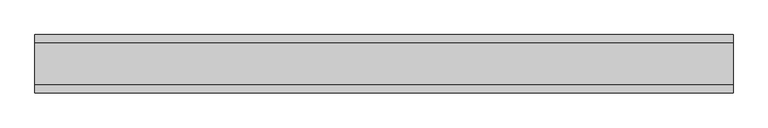
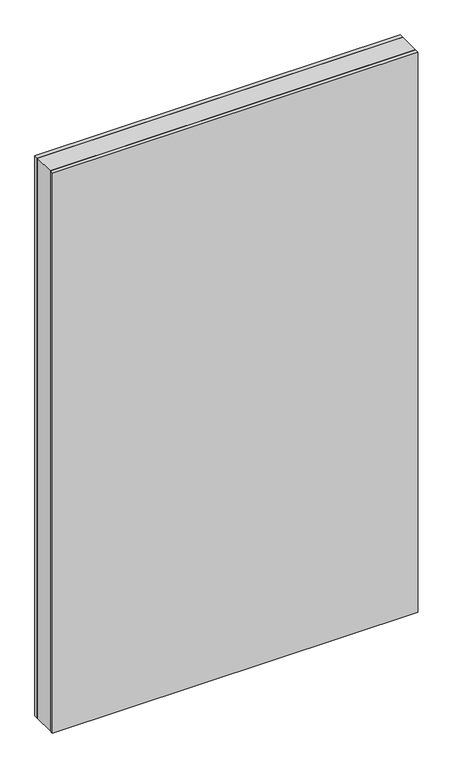
"""IFC4 building model written with IfcOpenShell, lengths in millimetres: plate geometry."""

import ifcopenshell
import ifcopenshell.guid

model = None  # the IFC model being written
_history = None  # IfcOwnerHistory: only IFC2X3 demands one
_inside = {}  # id of a spatial element -> (the spatial element, [elements in it])
_under = {}  # id of a project, library or spatial element -> (it, [spatial elements below it])
_declared = {}  # id of a project -> (the project, [libraries it declares])
_typed = {}  # id of a type object -> (the type object, [elements of that type])
_made_of = {}  # id of a material, layer set ... -> (it, [elements and type objects made of it])


def new_model(schema):
    """Start an empty IFC model of exactly this schema.

    Asked for "IFC4X3", IfcOpenShell would pick the latest addendum, in which some entities
    have other attributes; the version numbers below select the first issue.
    IFC2X3 requires an IfcOwnerHistory on every rooted entity: one is made here for all.
    """
    global model, _history
    if schema == "IFC4X3":
        model = ifcopenshell.file(schema_version=(4, 3, 0, 0))
    else:
        model = ifcopenshell.file(schema=schema)
    _inside.clear()
    _under.clear()
    _declared.clear()
    _typed.clear()
    _made_of.clear()
    _history = None
    if model.schema == "IFC2X3":
        org = make("IfcOrganization", Name="unknown")
        user = make(
            "IfcPersonAndOrganization",
            ThePerson=make("IfcPerson", FamilyName="unknown"),
            TheOrganization=org,
        )
        app = make(
            "IfcApplication",
            ApplicationDeveloper=org,
            Version="unknown",
            ApplicationFullName="unknown",
            ApplicationIdentifier="unknown",
        )
        _history = make(
            "IfcOwnerHistory",
            OwningUser=user,
            OwningApplication=app,
            ChangeAction="ADDED",
            CreationDate=0,
        )
    return model


def make(cls, **values):
    """One entity of the class cls with the attributes given. An attribute that is None is left unset."""
    return model.create_entity(
        cls, **{name: value for name, value in values.items() if value is not None}
    )


def rooted(cls, **values):
    """An entity with a GlobalId (a new one), such as an element, a storey or a relation."""
    return make(cls, GlobalId=ifcopenshell.guid.new(), OwnerHistory=_history, **values)


def si_unit(unit_type, name, prefix=None):
    """IfcSIUnit, for example si_unit("LENGTHUNIT", "METRE", prefix="MILLI")."""
    return make("IfcSIUnit", UnitType=unit_type, Prefix=prefix, Name=name)


def assignment(units):
    """IfcUnitAssignment: the units of a project."""
    return None if units is None else make("IfcUnitAssignment", Units=units)


def point(xyz):
    """IfcCartesianPoint."""
    return None if xyz is None else make("IfcCartesianPoint", Coordinates=xyz)


def direction(xyz):
    """IfcDirection."""
    return None if xyz is None else make("IfcDirection", DirectionRatios=xyz)


def frame(location, z_axis=None, x_axis=None):
    """IfcAxis2Placement3D, a coordinate frame: its origin and axes. An axis left out is left unset."""
    return make(
        "IfcAxis2Placement3D",
        Location=point(location),
        Axis=direction(z_axis),
        RefDirection=direction(x_axis),
    )


def origin():
    """The frame at (0, 0, 0) with its axes left unset."""
    return frame((0.0, 0.0, 0.0))


def origin_with_axes():
    """The frame at (0, 0, 0) with the z axis (0, 0, 1) and the x axis (1, 0, 0) written out."""
    return frame((0.0, 0.0, 0.0), z_axis=(0.0, 0.0, 1.0), x_axis=(1.0, 0.0, 0.0))


def place(relative_to, where):
    """IfcLocalPlacement: puts the frame where relative to a parent placement (None: the world)."""
    return make(
        "IfcLocalPlacement", PlacementRelTo=relative_to, RelativePlacement=where
    )


def context(
    kind, dimensions, precision=None, world=None, true_north=None, identifier=None
):
    """IfcGeometricRepresentationContext, for example the 3D "Model" context."""
    return make(
        "IfcGeometricRepresentationContext",
        ContextIdentifier=identifier,
        ContextType=kind,
        CoordinateSpaceDimension=dimensions,
        Precision=precision,
        WorldCoordinateSystem=world,
        TrueNorth=true_north,
    )


def project(units=None, contexts=None):
    """IfcProject with its units and contexts."""
    return rooted(
        "IfcProject",
        Name="project",
        RepresentationContexts=contexts,
        UnitsInContext=assignment(units),
    )


def spatial(cls, under=None, at=None, **own):
    """A site, building, storey or space (cls), placed at a placement, below another one or the project."""
    s = rooted(cls, ObjectPlacement=at, **own)
    if under is not None:
        _under.setdefault(under.id(), (under, []))[1].append(s)
    return s


def polyline(points):
    """IfcPolyline through the points."""
    return make("IfcPolyline", Points=[point(p) for p in points])


def outline(outer, holes=None, kind="AREA"):
    """IfcArbitraryClosedProfileDef: a profile drawn as a closed curve; with holes, ...WithVoids."""
    if holes is None:
        return make("IfcArbitraryClosedProfileDef", ProfileType=kind, OuterCurve=outer)
    return make(
        "IfcArbitraryProfileDefWithVoids",
        ProfileType=kind,
        OuterCurve=outer,
        InnerCurves=holes,
    )


def extrude(swept, where, along, depth):
    """IfcExtrudedAreaSolid: the profile swept, set in the frame where, extruded along a direction by depth."""
    return make(
        "IfcExtrudedAreaSolid",
        SweptArea=swept,
        Position=where,
        ExtrudedDirection=direction(along),
        Depth=depth,
    )


def shape(context_of_items, identifier, shape_type, items):
    """IfcShapeRepresentation: the items that make up one representation, for example the "Body"."""
    return make(
        "IfcShapeRepresentation",
        ContextOfItems=context_of_items,
        RepresentationIdentifier=identifier,
        RepresentationType=shape_type,
        Items=items,
    )


def source(mapping_origin, context_of_items, identifier, shape_type, items):
    """IfcRepresentationMap: a shape defined once, which mapped items show again and again."""
    return make(
        "IfcRepresentationMap",
        MappingOrigin=mapping_origin,
        MappedRepresentation=shape(context_of_items, identifier, shape_type, items),
    )


def transform(
    local_origin,
    x_axis=None,
    y_axis=None,
    z_axis=None,
    scale=None,
    scale2=None,
    scale3=None,
    uniform=True,
):
    """IfcCartesianTransformationOperator3D, or its non-uniform kind. x_axis, y_axis, z_axis: its Axis1, 2, 3."""
    if uniform:
        return make(
            "IfcCartesianTransformationOperator3D",
            Axis1=direction(x_axis),
            Axis2=direction(y_axis),
            LocalOrigin=point(local_origin),
            Scale=scale,
            Axis3=direction(z_axis),
        )
    return make(
        "IfcCartesianTransformationOperator3DnonUniform",
        Axis1=direction(x_axis),
        Axis2=direction(y_axis),
        LocalOrigin=point(local_origin),
        Scale=scale,
        Axis3=direction(z_axis),
        Scale2=scale2,
        Scale3=scale3,
    )


def mapped(mapping_source, mapping_target):
    """IfcMappedItem: shows the shape of a source again, moved by a transform."""
    return make(
        "IfcMappedItem", MappingSource=mapping_source, MappingTarget=mapping_target
    )


def made_of(thing, what):
    """Note that an element or type object is made of a material, layer set ...; save() writes the relation."""
    if what is not None:
        _made_of.setdefault(what.id(), (what, []))[1].append(thing)
    return thing


def element(
    cls,
    number,
    at=None,
    inside=None,
    cuts=None,
    type_object=None,
    material=None,
    context=None,
    identifier="Body",
    shape_type=None,
    held_by="IfcProductDefinitionShape",
    body=None,
    shapes=None,
    **own,
):
    """One element of the class cls, such as IfcWall. Its Tag is "e" and its number.

    at: its placement. inside: the storey or other place that contains it. cuts: it is an
    opening in that element (IfcRelVoidsElement). A single representation is given by context,
    identifier, shape_type and body (its items); several are given by shapes. held_by: the class
    of the entity that holds the representations. save() writes the other relations.
    """
    e = rooted(cls, Tag="e%d" % number, ObjectPlacement=at, **own)
    if body is not None:
        shapes = [shape(context, identifier, shape_type, body)]
    if shapes is not None:
        e.Representation = make(held_by, Representations=shapes)
    if inside is not None:
        _inside.setdefault(inside.id(), (inside, []))[1].append(e)
    if cuts is not None:
        rooted(
            "IfcRelVoidsElement", RelatingBuildingElement=cuts, RelatedOpeningElement=e
        )
    if type_object is not None:
        _typed.setdefault(type_object.id(), (type_object, []))[1].append(e)
    return made_of(e, material)


def aggregate(whole, parts):
    """IfcRelAggregates: a whole, such as a stair, and the parts it consists of."""
    return rooted("IfcRelAggregates", RelatingObject=whole, RelatedObjects=parts)


def save(model, path):
    """Write the relations noted so far, then the file.

    IfcRelAggregates (storeys below a building ...), IfcRelContainedInSpatialStructure (elements
    in a storey), IfcRelDefinesByType, IfcRelAssociatesMaterial and IfcRelDeclares: one each for
    every whole, place, type object, material and project.
    """
    for whole, parts in _under.values():
        aggregate(whole, parts)
    for where, things in _inside.values():
        rooted(
            "IfcRelContainedInSpatialStructure",
            RelatedElements=things,
            RelatingStructure=where,
        )
    for kind, things in _typed.values():
        rooted("IfcRelDefinesByType", RelatedObjects=things, RelatingType=kind)
    for what, things in _made_of.values():
        rooted("IfcRelAssociatesMaterial", RelatedObjects=things, RelatingMaterial=what)
    for by, libraries in _declared.values():
        rooted("IfcRelDeclares", RelatingContext=by, RelatedDefinitions=libraries)
    model.write(path)


def plate_0533130d(model_context):
    return source(origin(), model_context, "Body", "SweptSolid", [
        extrude(outline(polyline([(600.0, 36.0), (600.0, -36.0), (-600.0, -36.0), (-600.0, 36.0), (600.0, 36.0)])), origin_with_axes(), (0.0, 0.0, 1.0), 1943.6971514),
        extrude(outline(polyline([(600.0, 50.0), (600.0, 36.0), (-600.0, 36.0), (-600.0, 50.0), (600.0, 50.0)])), origin_with_axes(), (0.0, 0.0, 1.0), 1943.6971514),
        extrude(outline(polyline([(600.0, -36.0), (600.0, -50.0), (-600.0, -50.0), (-600.0, -36.0), (600.0, -36.0)])), origin_with_axes(), (0.0, 0.0, 1.0), 1943.6971514),
    ])


if __name__ == "__main__":
    model = new_model("IFC4")
    model_context = context("Model", 3, world=origin())
    ifc_project = project(units=[si_unit("LENGTHUNIT", "METRE", prefix="MILLI")], contexts=[model_context])
    site = spatial("IfcSite", under=ifc_project)
    building = spatial("IfcBuilding", under=site)
    placement = place(None, origin())
    plate_shape = plate_0533130d(model_context)
    element("IfcPlate", 1, at=placement, inside=building, context=model_context, shape_type="MappedRepresentation", body=[
        mapped(plate_shape, transform((0.0, 0.0, 0.0), x_axis=(1.0, 0.0, 0.0), y_axis=(0.0, 1.0, 0.0), z_axis=(0.0, 0.0, 1.0))),
    ])
    save(model, "model.ifc")
